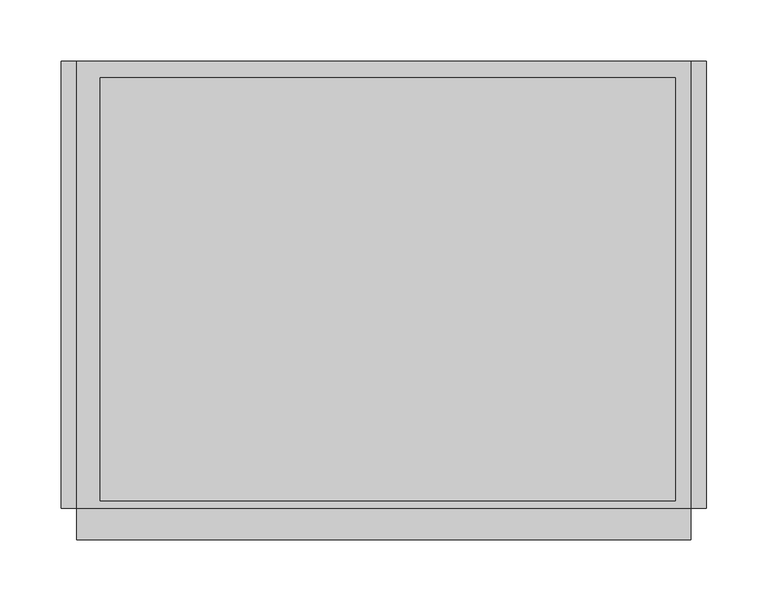
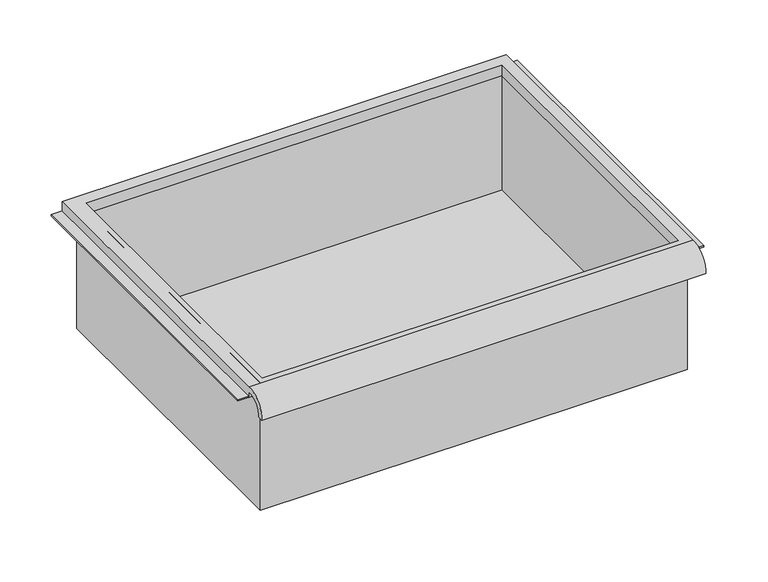
"""IFC4 building model written with IfcOpenShell, lengths in millimetres: furniture geometry."""

from ifc_helpers import new_model, si_unit, frame, origin, place, context, project, spatial, polyline, circle_curve, faceted_brep, source, transform, mapped, element, save
from ifc_brep_helpers import plane_surface, cylinder_surface, revolved_surface, advanced_brep


def furniture_ae353c6a(model_context):
    return source(origin(), model_context, "Body", "SolidModel", [
        advanced_brep(
        [(263.7474999, -195.297482, 740.1272182), (263.7474999, -188.9125, 740.1272182), (263.7474999, -169.8625, 758.3886914), (263.7474999, -169.8625, 752.038691), (263.7474999, 195.2625, 752.038691), (263.7474999, 195.2625, 764.7386914), (263.7474999, -169.8625, 764.7386914), (-237.9025001, -195.297482, 740.1272182), (-237.9025001, -169.8625, 764.7386914), (-237.9025001, 195.2625, 764.7386914), (-237.9025001, 195.2625, 752.038691), (-237.9025001, -169.8625, 752.038691), (-237.9025001, -169.8625, 758.3886914), (-237.9025001, -188.9125, 740.1272182), (251.0474878, 181.9275, 752.038691), (-218.8095642, 181.9275, 752.038691), (-218.8095642, -163.5125, 752.038691), (251.0474878, -163.5125, 752.038691), (-218.8095642, 181.9275, 764.7386914), (251.0474878, 181.9275, 764.7386914), (251.0474878, -163.5125, 764.7386914), (-218.8095642, -163.5125, 764.7386914)],
        [
            (0, 1),
            (1, 2, circle_curve(frame((263.7474999, -172.3404634, 741.9066285), z_axis=(-1.0, 0.0, 0.0), x_axis=(0.0, 1.0, 0.0)), 16.6672942)),
            (2, 3),
            (3, 4),
            (4, 5),
            (5, 6),
            (6, 0, circle_curve(frame((263.7474999, -172.4601678, 741.9745185), z_axis=(1.0, 0.0, 0.0), x_axis=(0.0, 1.0, 0.0)), 22.9119061)),
            (7, 8, circle_curve(frame((-237.9025001, -172.4601678, 741.9745185), z_axis=(-1.0, 0.0, 0.0), x_axis=(0.0, 1.0, 0.0)), 22.9119061)),
            (8, 9),
            (9, 10),
            (10, 11),
            (11, 12),
            (12, 13, circle_curve(frame((-237.9025001, -172.3404634, 741.9066285), z_axis=(1.0, 0.0, 0.0), x_axis=(0.0, 1.0, 0.0)), 16.6672942)),
            (13, 7),
            (0, 7),
            (13, 1),
            (12, 2),
            (11, 3),
            (10, 4),
            (14, 15),
            (15, 16),
            (16, 17),
            (17, 14),
            (9, 5),
            (8, 6),
            (18, 19),
            (19, 20),
            (20, 21),
            (21, 18),
            (14, 19),
            (18, 15),
            (21, 16),
            (20, 17),
        ],
        [
            plane_surface(frame((263.7474999, -195.297482, 740.1272182), z_axis=(1.0, 0.0, 0.0), x_axis=(0.0, 1.0, 0.0))),
            plane_surface(frame((-237.9025001, -195.297482, 740.1272182), z_axis=(-1.0, 0.0, 0.0), x_axis=(0.0, -1.0, 0.0))),
            plane_surface(frame((263.7474999, -195.297482, 740.1272182), z_axis=(0.0, 0.0, -1.0), x_axis=(-1.0, 0.0, 0.0))),
            revolved_surface(polyline([(-237.9025001, -155.67316920000002, 741.9066285), (263.7474999, -155.67316920000002, 741.9066285)]), (-237.9025001, -172.3404634, 741.9066285), (-1.0, 0.0, 0.0)),
            plane_surface(frame((263.7474999, -169.8625, 758.3886914), z_axis=(0.0, -1.0, 0.0), x_axis=(-1.0, 0.0, 0.0))),
            plane_surface(frame((263.7474999, -169.8625, 752.038691), z_axis=(0.0, 0.0, -1.0), x_axis=(-1.0, 0.0, 0.0))),
            plane_surface(frame((263.7474999, 195.2625, 752.038691), z_axis=(0.0, 1.0, 0.0), x_axis=(-1.0, 0.0, 0.0))),
            plane_surface(frame((263.7474999, 195.2625, 764.7386914), z_axis=(0.0, 0.0, 1.0), x_axis=(-1.0, 0.0, 0.0))),
            cylinder_surface(frame((-237.9025001, -172.4601678, 741.9745185), z_axis=(1.0, 0.0, 0.0), x_axis=(0.0, 1.0, 0.0)), 22.9119061),
            plane_surface(frame((251.0474878, 181.9275, 764.7386914), z_axis=(0.0, -1.0, 0.0), x_axis=(0.0, 0.0, -1.0))),
            plane_surface(frame((-218.8095642, 181.9275, 764.7386914), z_axis=(1.0, 0.0, 0.0), x_axis=(0.0, 0.0, -1.0))),
            plane_surface(frame((-218.8095642, -163.5125, 764.7386914), z_axis=(0.0, 1.0, 0.0), x_axis=(0.0, 0.0, -1.0))),
            plane_surface(frame((251.0474878, -163.5125, 764.7386914), z_axis=(-1.0, 0.0, 0.0), x_axis=(0.0, 0.0, -1.0))),
        ],
        [
            (0, [[1, 2, 3, 4, 5, 6, 7]]),
            (1, [[8, 9, 10, 11, 12, 13, 14]]),
            (2, [[-1, 15, -14, 16]]),
            (3, [[-2, -16, -13, 17]]),
            (4, [[-3, -17, -12, 18]]),
            (5, [[-4, -18, -11, 19], [20, 21, 22, 23]]),
            (6, [[-5, -19, -10, 24]]),
            (7, [[-6, -24, -9, 25], [26, 27, 28, 29]]),
            (8, [[-7, -25, -8, -15]]),
            (9, [[30, -26, 31, -20]]),
            (10, [[-31, -29, 32, -21]]),
            (11, [[-32, -28, 33, -22]]),
            (12, [[-30, -23, -33, -27]]),
        ],
    ),
        faceted_brep([(-225.2025001, -169.8625, 612.3386914), (257.3974878, -169.8625, 612.3386914), (257.3974878, -169.8625, 764.7386914), (-225.2025001, -169.8625, 764.7386914), (-225.2025001, 188.9125, 612.3386914), (-225.2025001, 188.9125, 764.7386914), (257.3974878, 188.9125, 764.7386914), (257.3974878, 188.9125, 612.3386914), (-218.8095642, 181.9275, 764.7386914), (251.0474878, 181.9275, 764.7386914), (251.0474878, -163.5125, 764.7386914), (-218.8095642, -163.5125, 764.7386914), (251.0474878, 181.9275, 615.5136914), (-218.8095642, 181.9275, 615.5136914), (-218.8095642, -163.5125, 615.5136914), (251.0474878, -163.5125, 615.5136914)], [[[0, 1, 2, 3]], [[4, 5, 6, 7]], [[1, 0, 4, 7]], [[2, 1, 7, 6]], [[3, 2, 6, 5], [8, 9, 10, 11]], [[0, 3, 5, 4]], [[12, 13, 14, 15]], [[13, 12, 9, 8]], [[14, 13, 8, 11]], [[15, 14, 11, 10]], [[12, 15, 10, 9]]]),
        faceted_brep([(-250.6025001, 195.2625, 752.038691), (-250.6025001, 195.2625, 753.626191), (-231.5525001, 195.2625, 753.626191), (-231.5525001, 195.2625, 752.038691), (-250.6025001, -169.8625, 752.038691), (-231.5525001, -169.8625, 752.038691), (-231.5525001, -169.8625, 753.626191), (-250.6025001, -169.8625, 753.626191)], [[[0, 1, 2, 3]], [[4, 5, 6, 7]], [[1, 0, 4, 7]], [[2, 1, 7, 6]], [[3, 2, 6, 5]], [[0, 3, 5, 4]]]),
        faceted_brep([(276.4474999, 195.2625, 752.038691), (263.7474999, 195.2625, 752.038691), (263.7474999, 195.2625, 753.626191), (276.4474999, 195.2625, 753.626191), (276.4474999, -169.8625, 752.038691), (276.4474999, -169.8625, 753.626191), (263.7474999, -169.8625, 753.626191), (263.7474999, -169.8625, 752.038691)], [[[0, 1, 2, 3]], [[4, 5, 6, 7]], [[1, 0, 4, 7]], [[2, 1, 7, 6]], [[3, 2, 6, 5]], [[0, 3, 5, 4]]]),
    ])


if __name__ == "__main__":
    model = new_model("IFC4")
    model_context = context("Model", 3, world=origin())
    ifc_project = project(units=[si_unit("LENGTHUNIT", "METRE", prefix="MILLI")], contexts=[model_context])
    site = spatial("IfcSite", under=ifc_project)
    building = spatial("IfcBuilding", under=site)
    placement = place(None, origin())
    furniture_shape = furniture_ae353c6a(model_context)
    element("IfcFurniture", 1, at=placement, inside=building, context=model_context, shape_type="MappedRepresentation", body=[
        mapped(furniture_shape, transform((0.0, 0.0, 0.0), x_axis=(1.0, 0.0, 0.0), y_axis=(0.0, 1.0, 0.0), z_axis=(0.0, 0.0, 1.0))),
    ])
    save(model, "model.ifc")
